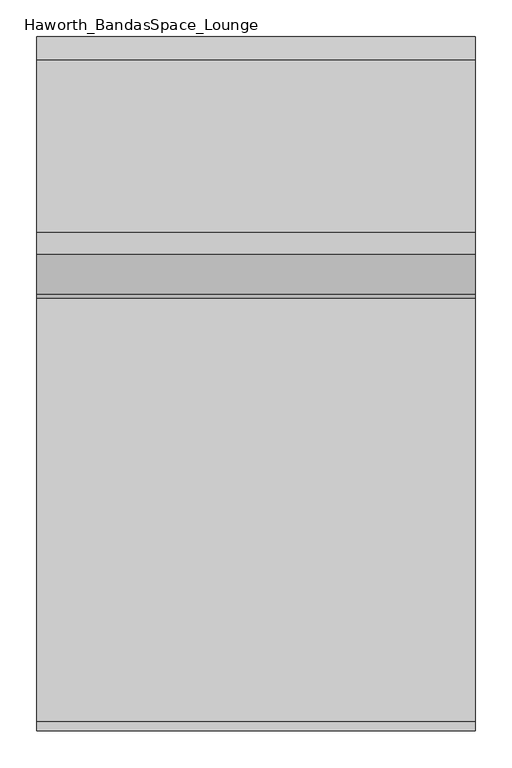
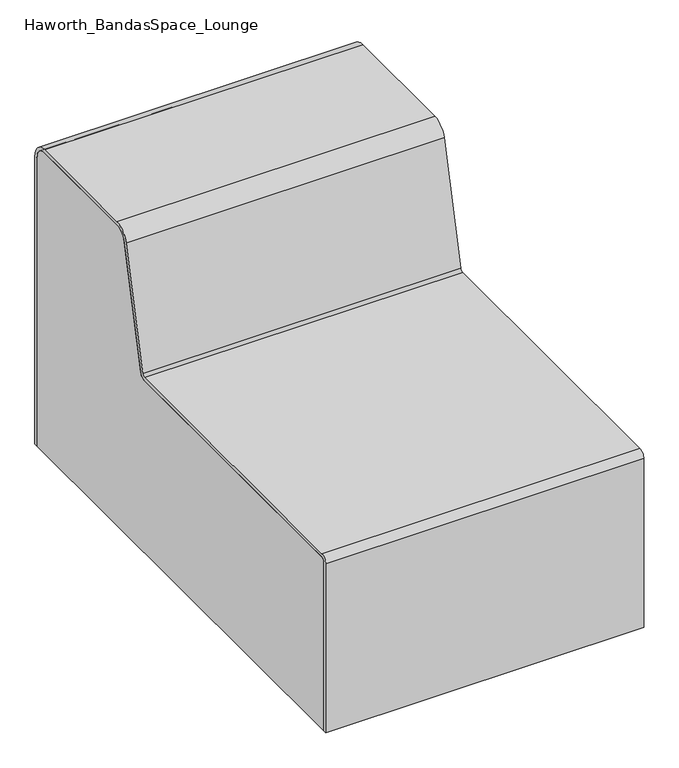
"""IFC4 building model written with IfcOpenShell, lengths in millimetres: furniture geometry, Haworth_BandasSpace_Lounge."""

from ifc_helpers import new_model, si_unit, point, frame, frame_2d, origin, place, context, project, spatial, polyline, circle_curve, trimmed, segment, composite_curve, outline, extrude, source, transform, mapped, element, save


def haworth_bandasspace_lounge_b25147ec(model_context):
    return source(origin(), model_context, "Body", "SweptSolid", [
        extrude(outline(composite_curve([segment(trimmed(circle_curve(frame_2d((-659.8046875, 336.55)), 12.7), [point((-672.5046875, 336.55))], [point((-659.8046875, 349.25))], False, "CARTESIAN"), True, "CONTINUOUS"), segment(polyline([(-659.8046875, 349.25), (-80.9209871, 349.25)]), True, "CONTINUOUS"), segment(trimmed(circle_curve(frame_2d((-80.9209871, 355.6)), 6.35), [point((-80.9209871, 349.25))], [point((-74.7427689, 354.1329896))], True, "CARTESIAN"), True, "CONTINUOUS"), segment(polyline([(-74.7427689, 354.1329896), (-20.7749926, 581.4147397)]), True, "CONTINUOUS"), segment(trimmed(circle_curve(frame_2d((10.1160985, 574.0796875)), 31.75), [point((-20.7749926, 581.4147397))], [point((10.1160985, 605.8296875))], False, "CARTESIAN"), True, "CONTINUOUS"), segment(polyline([(10.1160985, 605.8296875), (245.665625, 605.8296875)]), True, "CONTINUOUS"), segment(trimmed(circle_curve(frame_2d((245.665625, 574.0796875)), 31.75), [point((245.665625, 605.8296875))], [point((277.415625, 574.0796875))], False, "CARTESIAN"), True, "CONTINUOUS"), segment(polyline([(277.415625, 574.0796875), (277.415625, 0.0), (271.065625, 0.0), (271.065625, 574.0796875)]), True, "CONTINUOUS"), segment(trimmed(circle_curve(frame_2d((245.665625, 574.0796875)), 25.4), [point((271.065625, 574.0796875))], [point((245.665625, 599.4796875))], True, "CARTESIAN"), True, "CONTINUOUS"), segment(polyline([(245.665625, 599.4796875), (10.1160985, 599.4796875)]), True, "CONTINUOUS"), segment(trimmed(circle_curve(frame_2d((10.1160985, 574.0796875)), 25.4), [point((10.1160985, 599.4796875))], [point((-14.5967744, 579.9477292))], True, "CARTESIAN"), True, "CONTINUOUS"), segment(polyline([(-14.5967744, 579.9477292), (-68.5645507, 352.6659791)]), True, "CONTINUOUS"), segment(trimmed(circle_curve(frame_2d((-80.9209871, 355.6)), 12.7), [point((-68.5645507, 352.6659791))], [point((-80.9209871, 342.9))], False, "CARTESIAN"), True, "CONTINUOUS"), segment(polyline([(-80.9209871, 342.9), (-659.8046875, 342.9)]), True, "CONTINUOUS"), segment(trimmed(circle_curve(frame_2d((-659.8046875, 336.55)), 6.35), [point((-659.8046875, 342.9))], [point((-666.1546875, 336.55))], True, "CARTESIAN"), True, "CONTINUOUS"), segment(polyline([(-666.1546875, 336.55), (-666.1546875, 0.0), (-672.5046875, 0.0), (-672.5046875, 336.55)]), True, "CONTINUOUS")], self_intersect=False)), frame((-197.4453125, 0.0, 0.0), z_axis=(1.0, 0.0, 0.0), x_axis=(0.0, 1.0, 0.0)), (0.0, 0.0, 1.0), 599.4796875),
        extrude(outline(composite_curve([segment(polyline([(-666.1546875, 0.0), (-666.1546875, 336.55)]), True, "CONTINUOUS"), segment(trimmed(circle_curve(frame_2d((-659.8046875, 336.55)), 6.35), [point((-666.1546875, 336.55))], [point((-659.8046875, 342.9))], False, "CARTESIAN"), True, "CONTINUOUS"), segment(polyline([(-659.8046875, 342.9), (-80.9209871, 342.9)]), True, "CONTINUOUS"), segment(trimmed(circle_curve(frame_2d((-80.9209871, 355.6)), 12.7), [point((-80.9209871, 342.9))], [point((-68.5645507, 352.6659791))], True, "CARTESIAN"), True, "CONTINUOUS"), segment(polyline([(-68.5645507, 352.6659791), (-14.5967744, 579.9477292)]), True, "CONTINUOUS"), segment(trimmed(circle_curve(frame_2d((10.1160985, 574.0796875)), 25.4), [point((-14.5967744, 579.9477292))], [point((10.1160985, 599.4796875))], False, "CARTESIAN"), True, "CONTINUOUS"), segment(polyline([(10.1160985, 599.4796875), (245.665625, 599.4796875)]), True, "CONTINUOUS"), segment(trimmed(circle_curve(frame_2d((245.665625, 574.0796875)), 25.4), [point((245.665625, 599.4796875))], [point((271.065625, 574.0796875))], False, "CARTESIAN"), True, "CONTINUOUS"), segment(polyline([(271.065625, 574.0796875), (271.065625, 0.0), (-666.1546875, 0.0)]), True, "CONTINUOUS")], self_intersect=False)), frame((-197.4453125, 0.0, 0.0), z_axis=(1.0, 0.0, 0.0), x_axis=(0.0, 1.0, 0.0)), (0.0, 0.0, 1.0), 599.4796875),
    ])


if __name__ == "__main__":
    model = new_model("IFC4")
    model_context = context("Model", 3, world=origin())
    ifc_project = project(units=[si_unit("LENGTHUNIT", "METRE", prefix="MILLI")], contexts=[model_context])
    site = spatial("IfcSite", under=ifc_project)
    building = spatial("IfcBuilding", under=site)
    placement = place(None, origin())
    haworth_bandasspace_lounge_shape = haworth_bandasspace_lounge_b25147ec(model_context)
    element("IfcFurniture", 1, ObjectType="Haworth_BandasSpace_Lounge", at=placement, inside=building, context=model_context, shape_type="MappedRepresentation", body=[
        mapped(haworth_bandasspace_lounge_shape, transform((0.0, 0.0, 0.0), x_axis=(1.0, 0.0, 0.0), y_axis=(0.0, 1.0, 0.0), z_axis=(0.0, 0.0, 1.0))),
    ])
    save(model, "model.ifc")
